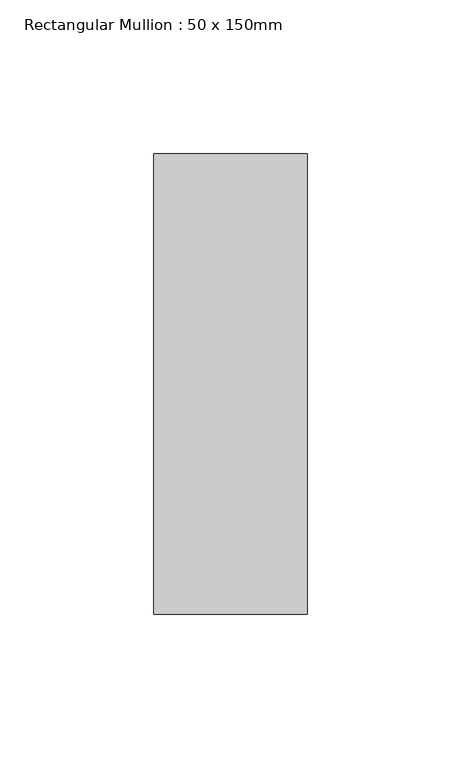
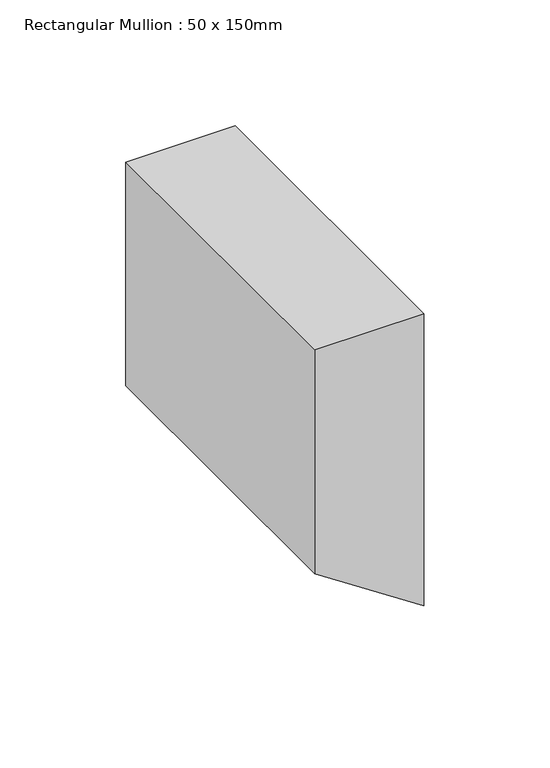
"""IFC4 building model written with IfcOpenShell, lengths in millimetres: member geometry, Rectangular Mullion : 50 x 150mm."""

from ifc_helpers import new_model, si_unit, point, frame, frame_2d, origin, place, context, project, spatial, polyline, circle_curve, trimmed, segment, composite_curve, outline, extrude, source, transform, mapped, element, save


def rectangular_mullion_50_x_150mm_350806c5(model_context):
    return source(origin(), model_context, "Body", "SweptSolid", [
        extrude(outline(composite_curve([segment(polyline([(0.0, 25.0), (0.0, -25.0), (-108.4508104, -25.0)]), True, "CONTINUOUS"), segment(trimmed(circle_curve(frame_2d((-3635.2388382, -2330.2749307)), 4213.3746925), [point((-108.4508104, -25.0))], [point((-141.6437987, 25.0))], True, "CARTESIAN"), True, "CONTINUOUS"), segment(polyline([(-141.6437987, 25.0), (0.0, 25.0)]), True, "CONTINUOUS")], self_intersect=False)), frame((0.0, -75.0, 0.0), z_axis=(0.0, 1.0, 0.0), x_axis=(0.0, 0.0, 1.0)), (0.0, 0.0, 1.0), 150.0),
    ])


if __name__ == "__main__":
    model = new_model("IFC4")
    model_context = context("Model", 3, world=origin())
    ifc_project = project(units=[si_unit("LENGTHUNIT", "METRE", prefix="MILLI")], contexts=[model_context])
    site = spatial("IfcSite", under=ifc_project)
    building = spatial("IfcBuilding", under=site)
    placement = place(None, origin())
    rectangular_mullion_50_x_150mm_shape = rectangular_mullion_50_x_150mm_350806c5(model_context)
    element("IfcMember", 1, ObjectType="Rectangular Mullion : 50 x 150mm", at=placement, inside=building, context=model_context, shape_type="MappedRepresentation", body=[
        mapped(rectangular_mullion_50_x_150mm_shape, transform((0.0, 0.0, 0.0), x_axis=(1.0, 0.0, 0.0), y_axis=(0.0, 1.0, 0.0), z_axis=(0.0, 0.0, 1.0))),
    ])
    save(model, "model.ifc")
